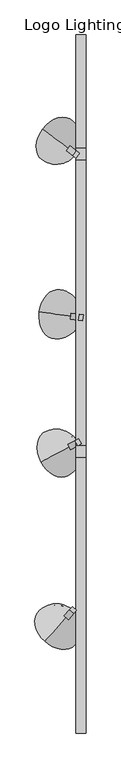
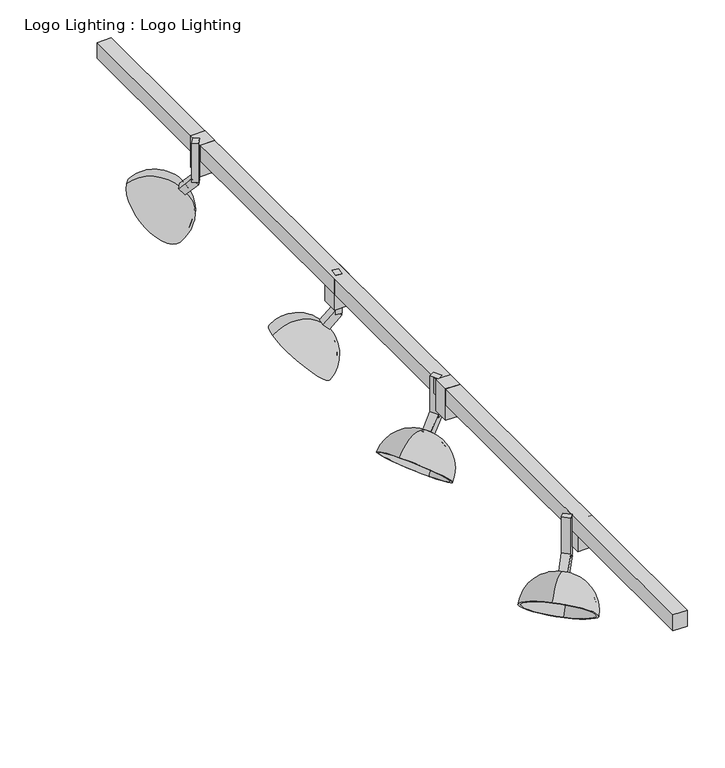
"""IFC4 building model written with IfcOpenShell, lengths in millimetres: light fixture geometry, Logo Lighting : Logo Lighting."""

from ifc_helpers import new_model, si_unit, point, frame, origin, place, context, project, spatial, polyline, circle_curve, ellipse_curve, trimmed, outline, extrude, source, transform, mapped, element, save
from ifc_brep_helpers import plane_surface, revolved_surface, advanced_brep


def logo_lighting_logo_lighting_020bd9e4(model_context):
    return source(origin(), model_context, "Body", "SolidModel", [
        extrude(outline(polyline([(21.1742761, 368.065558), (22.8812651, 380.6503181), (31.7800344, 379.4432947), (30.0730454, 366.8585345), (21.1742761, 368.065558)])), frame((0.0, 0.0, 2374.9), z_axis=(0.0, 0.0, 1.0), x_axis=(1.0, 0.0, 0.0)), (0.0, 0.0, 1.0), 63.5),
        extrude(outline(polyline([(0.0, 12.7), (25.4, 12.7), (25.4, 1e-07), (0.0, 0.0), (0.0, 12.7)])), frame((31.7800344, 379.4432947, 2371.9400614), z_axis=(-0.7006904927370674, 0.09504121941494607, 0.7071067811865517), x_axis=(-0.7006904927370755, 0.09504121941494717, -0.7071067811865435)), (0.0, 0.0, 1.0), 12.7),
        advanced_brep(
        [(10.9948777, 375.8544327, 2356.3160112), (10.9948777, 375.8544327, 2284.1890069), (-64.9270306, 386.1524328, 2360.8061393), (6.5454931, 376.4579445, 2360.8061393), (8.6290006, 376.1753388, 2353.9284695), (4.179616, 376.7788506, 2358.4185976), (8.6290006, 376.1753388, 2286.5765486), (-62.5611535, 385.8315267, 2358.4185976)],
        [
            (0, 1, circle_curve(frame((-24.7413841, 380.7016769, 2320.252509), z_axis=(0.13440858148108553, 0.9909259978546546, 0.0), x_axis=(-0.7006904927370693, 0.09504121941493318, 0.7071067811865517)), 51.0014938)),
            (1, 2, circle_curve(frame((-26.9660764, 381.0034328, 2322.4975731), z_axis=(0.7006904927370761, -0.09504121941494727, 0.707106781186543), x_axis=(-0.7006904927370676, 0.09504121941494285, 0.707106781186552)), 54.1764938)),
            (2, 3, circle_curve(frame((-29.1907687, 381.3051886, 2324.7426371), z_axis=(0.13440858148109247, 0.9909259978546537, 0.0), x_axis=(0.7006904927370673, -0.0950412194149429, -0.7071067811865523)), 51.0014938)),
            (3, 0, circle_curve(frame((8.7701854, 376.1561886, 2358.5610752), z_axis=(-0.7006904927370761, 0.09504121941494727, -0.707106781186543), x_axis=(-0.7006904927370676, 0.09504121941494285, 0.707106781186552)), 3.175)),
            (4, 0),
            (3, 5),
            (5, 4, circle_curve(frame((6.4043083, 376.4770947, 2356.1735335), z_axis=(-0.7006904927370761, 0.09504121941494727, -0.707106781186543), x_axis=(-0.7006904927370676, 0.09504121941494285, 0.707106781186552)), 3.175)),
            (6, 4, circle_curve(frame((-24.7413841, 380.7016769, 2320.252509), z_axis=(-0.13440858148109364, -0.9909259978546536, 0.0), x_axis=(-0.7006904927370677, 0.09504121941494462, 0.7071067811865517)), 47.625)),
            (5, 7, circle_curve(frame((-29.1907687, 381.3051886, 2324.7426371), z_axis=(-0.13440858148109247, -0.9909259978546537, 0.0), x_axis=(0.7006904927370673, -0.0950412194149429, -0.7071067811865523)), 47.625)),
            (7, 6, circle_curve(frame((-26.9660764, 381.0034328, 2322.4975731), z_axis=(-0.7006904927370761, 0.09504121941494727, -0.707106781186543), x_axis=(-0.7006904927370676, 0.09504121941494285, 0.707106781186552)), 50.8)),
            (1, 6),
            (7, 2),
            (2, 1, circle_curve(frame((-26.9660764, 381.0034328, 2322.4975731), z_axis=(0.7006904927370761, -0.09504121941494727, 0.707106781186543), x_axis=(0.7006904927370672, -0.09504121941494595, -0.707106781186552)), 54.1764938)),
            (0, 3, circle_curve(frame((8.7701854, 376.1561886, 2358.5610752), z_axis=(-0.7006904927370761, 0.09504121941494727, -0.707106781186543), x_axis=(0.7006904927370672, -0.09504121941494595, -0.707106781186552)), 3.175)),
            (4, 5, circle_curve(frame((6.4043083, 376.4770947, 2356.1735335), z_axis=(-0.7006904927370761, 0.09504121941494727, -0.707106781186543), x_axis=(0.7006904927370672, -0.09504121941494595, -0.707106781186552)), 3.175)),
            (6, 7, circle_curve(frame((-26.9660764, 381.0034328, 2322.4975731), z_axis=(-0.7006904927370761, 0.09504121941494727, -0.707106781186543), x_axis=(0.7006904927370672, -0.09504121941494595, -0.707106781186552)), 50.8)),
        ],
        [
            revolved_surface(trimmed(ellipse_curve(frame((-29.1907687, 381.3051886, 2324.7426371), z_axis=(0.13440858148109247, 0.9909259978546537, 0.0), x_axis=(0.7006904927370673, -0.0950412194149429, -0.7071067811865523)), 51.0014938, 51.0014938), [point((-64.9270306, 386.1524328, 2360.8061393))], [point((6.5454931, 376.4579445, 2360.8061393))], True, "CARTESIAN"), (-1664.2890037, 603.0888888, 670.1815264), (0.7006904927370761, -0.09504121941494727, 0.707106781186543)),
            revolved_surface(polyline([(6.5454931547435535, 376.45794451341686, 2360.8061392475574), (4.179615993413563, 376.77885060923165, 2358.4185975275377)]), (-1664.2890037, 603.0888888, 670.1815264), (0.7006904927370761, -0.09504121941494727, 0.707106781186543)),
            revolved_surface(trimmed(ellipse_curve(frame((-29.1907687, 381.3051886, 2324.7426371), z_axis=(-0.13440858148109247, -0.9909259978546537, 0.0), x_axis=(0.7006904927370673, -0.0950412194149429, -0.7071067811865523)), 47.625, 47.625), [point((4.179616, 376.7788506, 2358.4185976))], [point((-62.5611535, 385.8315267, 2358.4185976))], True, "CARTESIAN"), (-1664.2890037, 603.0888888, 670.1815264), (0.7006904927370761, -0.09504121941494727, 0.707106781186543)),
            plane_surface(frame((-26.9660764, 381.0034328, 2322.4975731), z_axis=(-0.700690492737076, 0.09504121941494724, -0.7071067811865432), x_axis=(-0.7006904927370676, 0.09504121941494285, 0.707106781186552))),
            revolved_surface(trimmed(ellipse_curve(frame((-24.7413841, 380.7016769, 2320.252509), z_axis=(-0.13440858148109466, -0.9909259978546534, 0.0), x_axis=(-0.7006904927370675, 0.09504121941494607, 0.7071067811865517)), 51.0014938, 51.0014938), [point((10.9948777, 375.8544327, 2284.1890069))], [point((10.9948777, 375.8544327, 2356.3160112))], True, "CARTESIAN"), (-1664.2890037, 603.0888888, 670.1815264), (0.7006904927370761, -0.09504121941494727, 0.707106781186543)),
            revolved_surface(polyline([(10.994877783624133, 375.85443277013206, 2356.316011187023), (8.629000622294143, 376.17533886594686, 2353.928469467003)]), (-1664.2890037, 603.0888888, 670.1815264), (0.7006904927370761, -0.09504121941494727, 0.707106781186543)),
            revolved_surface(trimmed(ellipse_curve(frame((-24.7413841, 380.7016769, 2320.252509), z_axis=(0.13440858148109466, 0.9909259978546534, 0.0), x_axis=(-0.7006904927370675, 0.09504121941494607, 0.7071067811865517)), 47.625, 47.625), [point((8.6290006, 376.1753388, 2353.9284695))], [point((8.6290006, 376.1753388, 2286.5765486))], True, "CARTESIAN"), (-1664.2890037, 603.0888888, 670.1815264), (0.7006904927370761, -0.09504121941494727, 0.707106781186543)),
            plane_surface(frame((-26.9660764, 381.0034328, 2322.4975731), z_axis=(-0.700690492737076, 0.09504121941494725, -0.7071067811865432), x_axis=(0.7006904927370672, -0.09504121941494595, -0.707106781186552))),
        ],
        [
            (0, [[1, 2, 3, 4]]),
            (1, [[5, -4, 6, 7]]),
            (2, [[8, -7, 9, 10]]),
            (3, [[11, -10, 12, -2]]),
            (4, [[-3, 13, -1, 14]]),
            (5, [[-6, -14, -5, 15]]),
            (6, [[-9, -15, -8, 16]]),
            (7, [[-12, -16, -11, -13]]),
        ],
    ),
        extrude(outline(polyline([(1.4066547, -263.8270711), (7.4156189, -257.1534402), (16.8535582, -265.6513989), (10.844594, -272.3250298), (1.4066547, -263.8270711)])), frame((0.0, 0.0, 2374.9), z_axis=(0.0, 0.0, 1.0), x_axis=(1.0, 0.0, 0.0)), (0.0, 0.0, 1.0), 63.5),
        extrude(outline(polyline([(12.7, -1e-07), (12.7, -12.7000001), (0.0, -12.7), (0.0, 0.0), (12.7, -1e-07)])), frame((-10.6112738, -277.1743328, 2362.9598052), z_axis=(0.4731467892558183, 0.5254827454987617, 0.7071067811865434), x_axis=(0.4731467892558127, 0.5254827454987554, -0.7071067811865519)), (0.0, 0.0, 1.0), 25.4),
        advanced_brep(
        [(-1.3244237, -276.3501671, 2356.3160112), (-4.3289058, -279.6869825, 2360.8061393), (-52.591292, -333.2877925, 2360.8061393), (-1.3244237, -276.3501671, 2284.1890069), (-2.9220009, -278.1244563, 2353.9284695), (-5.9264831, -281.4612717, 2358.4185976), (-2.9220009, -278.1244563, 2286.5765486), (-50.9937147, -331.5135033, 2358.4185976)],
        [
            (0, 1, circle_curve(frame((-2.8266648, -278.0185748, 2358.5610752), z_axis=(-0.47314678925581866, -0.5254827454987621, -0.7071067811865429), x_axis=(-0.4731467892558151, -0.5254827454987533, 0.707106781186552)), 3.175)),
            (1, 2, circle_curve(frame((-28.4600989, -306.4873875, 2324.7426371), z_axis=(0.7431448254773926, -0.6691306063588609, 0.0), x_axis=(0.4731467892558148, 0.5254827454987532, -0.7071067811865523)), 51.0014938)),
            (2, 3, circle_curve(frame((-26.9578578, -304.8189798, 2322.4975731), z_axis=(0.47314678925581866, 0.5254827454987621, 0.7071067811865429), x_axis=(-0.4731467892558151, -0.5254827454987533, 0.707106781186552)), 54.1764938)),
            (3, 0, circle_curve(frame((-25.4556168, -303.1505721, 2320.252509), z_axis=(0.7431448254773907, -0.669130606358863, 0.0), x_axis=(-0.4731467892558183, -0.5254827454987508, 0.7071067811865517)), 51.0014938)),
            (4, 5, circle_curve(frame((-4.424242, -279.792864, 2356.1735335), z_axis=(-0.47314678925581866, -0.5254827454987621, -0.7071067811865429), x_axis=(-0.4731467892558151, -0.5254827454987533, 0.707106781186552)), 3.175)),
            (5, 1),
            (0, 4),
            (6, 7, circle_curve(frame((-26.9578578, -304.8189798, 2322.4975731), z_axis=(-0.47314678925581866, -0.5254827454987621, -0.7071067811865429), x_axis=(-0.4731467892558151, -0.5254827454987533, 0.707106781186552)), 50.8)),
            (7, 5, circle_curve(frame((-28.4600989, -306.4873875, 2324.7426371), z_axis=(-0.7431448254773926, 0.6691306063588609, 0.0), x_axis=(0.4731467892558148, 0.5254827454987532, -0.7071067811865523)), 47.625)),
            (4, 6, circle_curve(frame((-25.4556168, -303.1505721, 2320.252509), z_axis=(-0.7431448254773879, 0.669130606358866, 0.0), x_axis=(-0.4731467892558226, -0.525482745498747, 0.7071067811865517)), 47.625)),
            (2, 7),
            (6, 3),
            (1, 0, circle_curve(frame((-2.8266648, -278.0185748, 2358.5610752), z_axis=(-0.47314678925581866, -0.5254827454987621, -0.7071067811865429), x_axis=(0.4731467892558128, 0.5254827454987553, -0.707106781186552)), 3.175)),
            (3, 2, circle_curve(frame((-26.9578578, -304.8189798, 2322.4975731), z_axis=(0.47314678925581866, 0.5254827454987621, 0.7071067811865429), x_axis=(0.4731467892558128, 0.5254827454987553, -0.707106781186552)), 54.1764938)),
            (5, 4, circle_curve(frame((-4.424242, -279.792864, 2356.1735335), z_axis=(-0.47314678925581866, -0.5254827454987621, -0.7071067811865429), x_axis=(0.4731467892558128, 0.5254827454987553, -0.707106781186552)), 3.175)),
            (7, 6, circle_curve(frame((-26.9578578, -304.8189798, 2322.4975731), z_axis=(-0.47314678925581866, -0.5254827454987621, -0.7071067811865429), x_axis=(0.4731467892558128, 0.5254827454987553, -0.707106781186552)), 50.8)),
        ],
        [
            revolved_surface(trimmed(ellipse_curve(frame((-28.4600989, -306.4873875, 2324.7426371), z_axis=(-0.7431448254773926, 0.6691306063588609, 0.0), x_axis=(0.4731467892558148, 0.5254827454987532, -0.7071067811865523)), 51.0014938, 51.0014938), [point((-52.591292, -333.2877925, 2360.8061393))], [point((-4.3289058, -279.6869825, 2360.8061393))], True, "CARTESIAN"), (-1132.573096, -1532.7290999, 670.1815264), (0.47314678925581877, 0.5254827454987622, 0.707106781186543)),
            revolved_surface(polyline([(-4.32890578322008, -279.68698246191775, 2360.806139260473), (-5.926483028103803, -281.46127174349203, 2358.418597531397)]), (-1132.573096, -1532.7290999, 670.1815264), (0.47314678925581877, 0.5254827454987622, 0.707106781186543)),
            revolved_surface(trimmed(ellipse_curve(frame((-28.4600989, -306.4873875, 2324.7426371), z_axis=(0.7431448254773926, -0.6691306063588609, 0.0), x_axis=(0.4731467892558148, 0.5254827454987532, -0.7071067811865523)), 47.625, 47.625), [point((-5.9264831, -281.4612717, 2358.4185976))], [point((-50.9937147, -331.5135033, 2358.4185976))], True, "CARTESIAN"), (-1132.573096, -1532.7290999, 670.1815264), (0.47314678925581877, 0.5254827454987622, 0.707106781186543)),
            plane_surface(frame((-26.9578578, -304.8189798, 2322.4975731), z_axis=(-0.4731467892558184, -0.5254827454987618, -0.7071067811865434), x_axis=(-0.473146789255815, -0.5254827454987532, 0.7071067811865519))),
            revolved_surface(trimmed(ellipse_curve(frame((-25.4556168, -303.1505721, 2320.252509), z_axis=(0.7431448254773941, -0.6691306063588593, 0.0), x_axis=(-0.473146789255813, -0.5254827454987556, 0.7071067811865517)), 51.0014938, 51.0014938), [point((-1.3244237, -276.3501671, 2284.1890069))], [point((-1.3244237, -276.3501671, 2356.3160112))], True, "CARTESIAN"), (-1132.573096, -1532.7290999, 670.1815264), (0.47314678925581877, 0.5254827454987622, 0.707106781186543)),
            revolved_surface(polyline([(-1.3244236714456292, -276.35016702800044, 2356.3160111999387), (-2.9220009163293525, -278.1244563095747, 2353.9284694708626)]), (-1132.573096, -1532.7290999, 670.1815264), (0.47314678925581877, 0.5254827454987622, 0.707106781186543)),
            revolved_surface(trimmed(ellipse_curve(frame((-25.4556168, -303.1505721, 2320.252509), z_axis=(-0.7431448254773941, 0.6691306063588593, 0.0), x_axis=(-0.473146789255813, -0.5254827454987556, 0.7071067811865517)), 47.625, 47.625), [point((-2.9220009, -278.1244563, 2353.9284695))], [point((-2.9220009, -278.1244563, 2286.5765486))], True, "CARTESIAN"), (-1132.573096, -1532.7290999, 670.1815264), (0.47314678925581877, 0.5254827454987622, 0.707106781186543)),
            plane_surface(frame((-26.9578578, -304.8189798, 2322.4975731), z_axis=(-0.4731467892558184, -0.5254827454987617, -0.7071067811865432), x_axis=(0.4731467892558127, 0.5254827454987552, -0.7071067811865519))),
        ],
        [
            (0, [[1, 2, 3, 4]]),
            (1, [[5, 6, -1, 7]]),
            (2, [[8, 9, -5, 10]]),
            (3, [[-3, 11, -8, 12]]),
            (4, [[13, -4, 14, -2]]),
            (5, [[15, -7, -13, -6]]),
            (6, [[16, -10, -15, -9]]),
            (7, [[-14, -12, -16, -11]]),
        ],
    ),
        extrude(outline(polyline([(13.5830052, 105.1858771), (21.4933982, 109.4368398), (27.5051673, 98.2498548), (19.5947744, 93.9988921), (13.5830052, 105.1858771)])), frame((0.0, 0.0, 2374.9), z_axis=(0.0, 0.0, 1.0), x_axis=(1.0, 0.0, 0.0)), (0.0, 0.0, 1.0), 63.5),
        extrude(outline(polyline([(12.7, 0.0), (12.6999999, -12.7), (0.0, -12.7), (0.0, 0.0), (12.7, 0.0)])), frame((-2.2377806, 96.6839517, 2362.9598052), z_axis=(0.6228655838762266, 0.33472147290326887, 0.7071067811865431), x_axis=(0.6228655838762187, 0.33472147290326465, -0.707106781186552)), (0.0, 0.0, 1.0), 25.4),
        advanced_brep(
        [(6.781408, 94.3219461, 2356.3160112), (2.8262115, 92.1964647, 2360.8061393), (-60.707939, 58.0538745, 2360.8061393), (6.781408, 94.3219461, 2284.1890069), (4.6783062, 93.1917611, 2353.9284695), (0.7231097, 91.0662797, 2358.4185976), (4.6783062, 93.1917611, 2286.5765486), (-58.6048372, 59.1840595, 2358.4185976)],
        [
            (0, 1, circle_curve(frame((4.8038098, 93.2592054, 2358.5610752), z_axis=(-0.6228655838762266, -0.33472147290326887, -0.707106781186543), x_axis=(-0.6228655838762202, -0.33472147290326176, 0.707106781186552)), 3.175)),
            (1, 2, circle_curve(frame((-28.9408637, 75.1251696, 2324.7426371), z_axis=(0.4733676465972963, -0.8808649562531917, 0.0), x_axis=(0.6228655838762199, 0.33472147290326165, -0.7071067811865523)), 51.0014938)),
            (2, 3, circle_curve(frame((-26.9632655, 76.1879103, 2322.4975731), z_axis=(0.6228655838762266, 0.33472147290326887, 0.707106781186543), x_axis=(-0.6228655838762202, -0.33472147290326176, 0.707106781186552)), 54.1764938)),
            (3, 0, circle_curve(frame((-24.9856673, 77.250651, 2320.252509), z_axis=(0.47336764659729375, -0.880864956253193, 0.0), x_axis=(-0.6228655838762223, -0.3347214729032584, 0.7071067811865517)), 51.0014938)),
            (4, 5, circle_curve(frame((2.7007079, 92.1290204, 2356.1735335), z_axis=(-0.6228655838762266, -0.33472147290326887, -0.707106781186543), x_axis=(-0.6228655838762202, -0.33472147290326176, 0.707106781186552)), 3.175)),
            (5, 1),
            (0, 4),
            (6, 7, circle_curve(frame((-26.9632655, 76.1879103, 2322.4975731), z_axis=(-0.6228655838762266, -0.33472147290326887, -0.707106781186543), x_axis=(-0.6228655838762202, -0.33472147290326176, 0.707106781186552)), 50.8)),
            (7, 5, circle_curve(frame((-28.9408637, 75.1251696, 2324.7426371), z_axis=(-0.4733676465972963, 0.8808649562531917, 0.0), x_axis=(0.6228655838762199, 0.33472147290326165, -0.7071067811865523)), 47.625)),
            (4, 6, circle_curve(frame((-24.9856673, 77.250651, 2320.252509), z_axis=(-0.47336764659729014, 0.880864956253195, 0.0), x_axis=(-0.622865583876225, -0.33472147290325327, 0.7071067811865517)), 47.625)),
            (2, 7),
            (6, 3),
            (1, 0, circle_curve(frame((4.8038098, 93.2592054, 2358.5610752), z_axis=(-0.6228655838762266, -0.33472147290326887, -0.707106781186543), x_axis=(0.6228655838762186, 0.3347214729032645, -0.707106781186552)), 3.175)),
            (3, 2, circle_curve(frame((-26.9632655, 76.1879103, 2322.4975731), z_axis=(0.6228655838762266, 0.33472147290326887, 0.707106781186543), x_axis=(0.6228655838762186, 0.3347214729032645, -0.707106781186552)), 54.1764938)),
            (5, 4, circle_curve(frame((2.7007079, 92.1290204, 2356.1735335), z_axis=(-0.6228655838762266, -0.33472147290326887, -0.707106781186543), x_axis=(0.6228655838762186, 0.3347214729032645, -0.707106781186552)), 3.175)),
            (7, 6, circle_curve(frame((-26.9632655, 76.1879103, 2322.4975731), z_axis=(-0.6228655838762266, -0.33472147290326887, -0.707106781186543), x_axis=(0.6228655838762186, 0.3347214729032645, -0.707106781186552)), 50.8)),
        ],
        [
            revolved_surface(trimmed(ellipse_curve(frame((-28.9408637, 75.1251696, 2324.7426371), z_axis=(-0.4733676465972963, 0.8808649562531917, 0.0), x_axis=(0.6228655838762199, 0.33472147290326165, -0.7071067811865523)), 51.0014938, 51.0014938), [point((-60.707939, 58.0538745, 2360.8061393))], [point((2.8262115, 92.1964647, 2360.8061393))], True, "CARTESIAN"), (-1482.4305676, -705.9650482, 670.1815264), (0.6228655838762266, 0.33472147290326887, 0.707106781186543)),
            revolved_surface(polyline([(2.8262115781592456, 92.19646470977375, 2360.8061392466757), (0.723109722145864, 91.06627969211786, 2358.418597500255)]), (-1482.4305676, -705.9650482, 670.1815264), (0.6228655838762266, 0.33472147290326887, 0.707106781186543)),
            revolved_surface(trimmed(ellipse_curve(frame((-28.9408637, 75.1251696, 2324.7426371), z_axis=(0.4733676465972963, -0.8808649562531917, 0.0), x_axis=(0.6228655838762199, 0.33472147290326165, -0.7071067811865523)), 47.625, 47.625), [point((0.7231097, 91.0662797, 2358.4185976))], [point((-58.6048372, 59.1840595, 2358.4185976))], True, "CARTESIAN"), (-1482.4305676, -705.9650482, 670.1815264), (0.6228655838762266, 0.33472147290326887, 0.707106781186543)),
            plane_surface(frame((-26.9632655, 76.1879103, 2322.4975731), z_axis=(-0.6228655838762266, -0.33472147290326887, -0.707106781186543), x_axis=(-0.6228655838762202, -0.33472147290326176, 0.707106781186552))),
            revolved_surface(trimmed(ellipse_curve(frame((-24.9856673, 77.250651, 2320.252509), z_axis=(0.47336764659729824, -0.8808649562531906, 0.0), x_axis=(-0.6228655838762188, -0.3347214729032647, 0.7071067811865517)), 51.0014938, 51.0014938), [point((6.781408, 94.3219461, 2284.1890069))], [point((6.781408, 94.3219461, 2356.3160112))], True, "CARTESIAN"), (-1482.4305676, -705.9650482, 670.1815264), (0.6228655838762266, 0.33472147290326887, 0.707106781186543)),
            revolved_surface(polyline([(6.781408035773211, 94.32194606270957, 2356.316011186141), (4.678306179759829, 93.19176104505368, 2353.9284694397206)]), (-1482.4305676, -705.9650482, 670.1815264), (0.6228655838762266, 0.33472147290326887, 0.707106781186543)),
            revolved_surface(trimmed(ellipse_curve(frame((-24.9856673, 77.250651, 2320.252509), z_axis=(-0.47336764659729824, 0.8808649562531906, 0.0), x_axis=(-0.6228655838762188, -0.3347214729032647, 0.7071067811865517)), 47.625, 47.625), [point((4.6783062, 93.1917611, 2353.9284695))], [point((4.6783062, 93.1917611, 2286.5765486))], True, "CARTESIAN"), (-1482.4305676, -705.9650482, 670.1815264), (0.6228655838762266, 0.33472147290326887, 0.707106781186543)),
            plane_surface(frame((-26.9632655, 76.1879103, 2322.4975731), z_axis=(-0.6228655838762267, -0.3347214729032689, -0.707106781186543), x_axis=(0.6228655838762187, 0.33472147290326454, -0.7071067811865521))),
        ],
        [
            (0, [[1, 2, 3, 4]]),
            (1, [[5, 6, -1, 7]]),
            (2, [[8, 9, -5, 10]]),
            (3, [[-3, 11, -8, 12]]),
            (4, [[13, -4, 14, -2]]),
            (5, [[15, -7, -13, -6]]),
            (6, [[16, -10, -15, -9]]),
            (7, [[-14, -12, -16, -11]]),
        ],
    ),
        extrude(outline(polyline([(16.3468869, 737.3314735), (23.5188383, 731.9270204), (15.8757875, 721.7843495), (8.7038361, 727.1888025), (16.3468869, 737.3314735)])), frame((0.0, 0.0, 2374.9), z_axis=(0.0, 0.0, 1.0), x_axis=(1.0, 0.0, 0.0)), (0.0, 0.0, 1.0), 63.5),
        extrude(outline(polyline([(0.0, -12.6999999), (0.0, 0.0), (25.4, 0.0), (25.4, -12.7), (0.0, -12.6999999)])), frame((15.8757875, 721.7843495, 2371.9400614), z_axis=(-0.5647205848508035, 0.425547483890765, 0.7071067811865515), x_axis=(-0.5647205848508097, 0.4255474838907698, -0.7071067811865436)), (0.0, 0.0, 1.0), 12.7),
        advanced_brep(
        [(3.6334159, 738.9606996, 2356.3160112), (0.0474402, 741.6629261, 2360.8061393), (-57.5557467, 785.0700409, 2360.8061393), (3.6334159, 738.9606996, 2284.1890069), (1.7266403, 740.3975581, 2353.9284695), (-1.8593354, 743.0997846, 2358.4185976), (1.7266403, 740.3975581, 2286.5765486), (-55.6489711, 783.6331824, 2358.4185976)],
        [
            (0, 1, circle_curve(frame((1.8404281, 740.3118129, 2358.5610752), z_axis=(-0.5647205848508102, 0.42554748389077024, -0.7071067811865431), x_axis=(-0.564720584850801, 0.42554748389076724, 0.707106781186552)), 3.175)),
            (1, 2, circle_curve(frame((-28.7541532, 763.3664835, 2324.7426371), z_axis=(-0.6018150231520712, -0.7986355100472755, 0.0), x_axis=(0.5647205848508008, -0.425547483890767, -0.7071067811865523)), 51.0014938)),
            (2, 3, circle_curve(frame((-26.9611654, 762.0153702, 2322.4975731), z_axis=(0.5647205848508102, -0.42554748389077024, 0.7071067811865431), x_axis=(-0.564720584850801, 0.42554748389076724, 0.707106781186552)), 54.1764938)),
            (3, 0, circle_curve(frame((-25.1681775, 760.664257, 2320.252509), z_axis=(-0.6018150231520736, -0.7986355100472738, 0.0), x_axis=(-0.5647205848507988, 0.42554748389077063, 0.7071067811865517)), 51.0014938)),
            (4, 5, circle_curve(frame((-0.0663475, 741.7486713, 2356.1735335), z_axis=(-0.5647205848508102, 0.42554748389077024, -0.7071067811865431), x_axis=(-0.564720584850801, 0.42554748389076724, 0.707106781186552)), 3.175)),
            (5, 1),
            (0, 4),
            (6, 7, circle_curve(frame((-26.9611654, 762.0153702, 2322.4975731), z_axis=(-0.5647205848508102, 0.42554748389077024, -0.7071067811865431), x_axis=(-0.564720584850801, 0.42554748389076724, 0.707106781186552)), 50.8)),
            (7, 5, circle_curve(frame((-28.7541532, 763.3664835, 2324.7426371), z_axis=(0.6018150231520712, 0.7986355100472755, 0.0), x_axis=(0.5647205848508008, -0.425547483890767, -0.7071067811865523)), 47.625)),
            (4, 6, circle_curve(frame((-25.1681775, 760.664257, 2320.252509), z_axis=(0.6018150231520768, 0.7986355100472713, 0.0), x_axis=(-0.5647205848507953, 0.42554748389077524, 0.7071067811865517)), 47.625)),
            (2, 7),
            (6, 3),
            (1, 0, circle_curve(frame((1.8404281, 740.3118129, 2358.5610752), z_axis=(-0.5647205848508102, 0.42554748389077024, -0.7071067811865431), x_axis=(0.5647205848508029, -0.4255474838907648, -0.707106781186552)), 3.175)),
            (3, 2, circle_curve(frame((-26.9611654, 762.0153702, 2322.4975731), z_axis=(0.5647205848508102, -0.42554748389077024, 0.7071067811865431), x_axis=(0.5647205848508029, -0.4255474838907648, -0.707106781186552)), 54.1764938)),
            (5, 4, circle_curve(frame((-0.0663475, 741.7486713, 2356.1735335), z_axis=(-0.5647205848508102, 0.42554748389077024, -0.7071067811865431), x_axis=(0.5647205848508029, -0.4255474838907648, -0.707106781186552)), 3.175)),
            (7, 6, circle_curve(frame((-26.9611654, 762.0153702, 2322.4975731), z_axis=(-0.5647205848508102, 0.42554748389077024, -0.7071067811865431), x_axis=(0.5647205848508029, -0.4255474838907648, -0.707106781186552)), 50.8)),
        ],
        [
            revolved_surface(trimmed(ellipse_curve(frame((-28.7541532, 763.3664835, 2324.7426371), z_axis=(0.6018150231520712, 0.7986355100472755, 0.0), x_axis=(0.5647205848508008, -0.425547483890767, -0.7071067811865523)), 51.0014938, 51.0014938), [point((-57.5557467, 785.0700409, 2360.8061393))], [point((0.0474402, 741.6629261, 2360.8061393))], True, "CARTESIAN"), (-1346.559434, 1756.4039901, 670.1815264), (0.5647205848508101, -0.42554748389077013, 0.707106781186543)),
            revolved_surface(polyline([(0.047440266123430774, 741.6629261004426, 2360.8061392474574), (-1.8593353569269766, 743.0997845938296, 2358.4185974977327)]), (-1346.559434, 1756.4039901, 670.1815264), (0.5647205848508101, -0.42554748389077013, 0.707106781186543)),
            revolved_surface(trimmed(ellipse_curve(frame((-28.7541532, 763.3664835, 2324.7426371), z_axis=(-0.6018150231520712, -0.7986355100472755, 0.0), x_axis=(0.5647205848508008, -0.425547483890767, -0.7071067811865523)), 47.625, 47.625), [point((-1.8593354, 743.0997846, 2358.4185976))], [point((-55.6489711, 783.6331824, 2358.4185976))], True, "CARTESIAN"), (-1346.559434, 1756.4039901, 670.1815264), (0.5647205848508101, -0.42554748389077013, 0.707106781186543)),
            plane_surface(frame((-26.9611654, 762.0153702, 2322.4975731), z_axis=(-0.5647205848508103, 0.4255474838907702, -0.707106781186543), x_axis=(-0.5647205848508011, 0.4255474838907673, 0.7071067811865521))),
            revolved_surface(trimmed(ellipse_curve(frame((-25.1681775, 760.664257, 2320.252509), z_axis=(-0.6018150231520696, -0.7986355100472768, 0.0), x_axis=(-0.5647205848508031, 0.4255474838907649, 0.7071067811865517)), 51.0014938, 51.0014938), [point((3.6334159, 738.9606996, 2284.1890069))], [point((3.6334159, 738.9606996, 2356.3160112))], True, "CARTESIAN"), (-1346.559434, 1756.4039901, 670.1815264), (0.5647205848508101, -0.42554748389077013, 0.707106781186543)),
            revolved_surface(polyline([(3.6334159799262125, 738.9606995777361, 2356.316011186923), (1.726640356875805, 740.3975580711231, 2353.928469437198)]), (-1346.559434, 1756.4039901, 670.1815264), (0.5647205848508101, -0.42554748389077013, 0.707106781186543)),
            revolved_surface(trimmed(ellipse_curve(frame((-25.1681775, 760.664257, 2320.252509), z_axis=(0.6018150231520696, 0.7986355100472768, 0.0), x_axis=(-0.5647205848508031, 0.4255474838907649, 0.7071067811865517)), 47.625, 47.625), [point((1.7266403, 740.3975581, 2353.9284695))], [point((1.7266403, 740.3975581, 2286.5765486))], True, "CARTESIAN"), (-1346.559434, 1756.4039901, 670.1815264), (0.5647205848508101, -0.42554748389077013, 0.707106781186543)),
            plane_surface(frame((-26.9611654, 762.0153702, 2322.4975731), z_axis=(-0.5647205848508101, 0.42554748389077013, -0.707106781186543), x_axis=(0.5647205848508029, -0.4255474838907648, -0.707106781186552))),
        ],
        [
            (0, [[1, 2, 3, 4]]),
            (1, [[5, 6, -1, 7]]),
            (2, [[8, 9, -5, 10]]),
            (3, [[-3, 11, -8, 12]]),
            (4, [[13, -4, 14, -2]]),
            (5, [[15, -7, -13, -6]]),
            (6, [[16, -10, -15, -9]]),
            (7, [[-14, -12, -16, -11]]),
        ],
    ),
        extrude(outline(polyline([(37.8064362, 742.95), (37.8064362, 717.55), (16.1261801, 717.55), (16.1261801, 742.95), (37.8064362, 742.95)])), frame((0.0, 0.0, 2387.6), z_axis=(0.0, 0.0, 1.0), x_axis=(1.0, 0.0, 0.0)), (0.0, 0.0, 1.0), 50.8),
        extrude(outline(polyline([(37.8064362, 93.6625), (37.8064362, 68.2625), (16.1261801, 68.2625), (16.1261801, 93.6625), (37.8064362, 93.6625)])), frame((0.0, 0.0, 2387.6), z_axis=(0.0, 0.0, 1.0), x_axis=(1.0, 0.0, 0.0)), (0.0, 0.0, 1.0), 50.8),
        extrude(outline(polyline([(37.8064362, 990.6), (37.8064362, -533.4), (16.1261801, -533.4), (16.1261801, 990.6), (37.8064362, 990.6)])), frame((0.0, 0.0, 2413.0), z_axis=(0.0, 0.0, 1.0), x_axis=(1.0, 0.0, 0.0)), (0.0, 0.0, 1.0), 25.4),
        extrude(outline(polyline([(37.8064362, -255.5875), (37.8064362, -280.9875), (16.1261801, -280.9875), (16.1261801, -255.5875), (37.8064362, -255.5875)])), frame((0.0, 0.0, 2387.6), z_axis=(0.0, 0.0, 1.0), x_axis=(1.0, 0.0, 0.0)), (0.0, 0.0, 1.0), 50.8),
        extrude(outline(polyline([(37.8064362, 387.35), (37.8064362, 361.95), (16.1261801, 361.95), (16.1261801, 387.35), (37.8064362, 387.35)])), frame((0.0, 0.0, 2387.6), z_axis=(0.0, 0.0, 1.0), x_axis=(1.0, 0.0, 0.0)), (0.0, 0.0, 1.0), 50.8),
    ])


if __name__ == "__main__":
    model = new_model("IFC4")
    model_context = context("Model", 3, world=origin())
    ifc_project = project(units=[si_unit("LENGTHUNIT", "METRE", prefix="MILLI")], contexts=[model_context])
    site = spatial("IfcSite", under=ifc_project)
    building = spatial("IfcBuilding", under=site)
    placement = place(None, origin())
    logo_lighting_logo_lighting_shape = logo_lighting_logo_lighting_020bd9e4(model_context)
    element("IfcLightFixture", 1, ObjectType="Logo Lighting : Logo Lighting", at=placement, inside=building, context=model_context, shape_type="MappedRepresentation", body=[
        mapped(logo_lighting_logo_lighting_shape, transform((0.0, 0.0, 0.0), x_axis=(1.0, 0.0, 0.0), y_axis=(0.0, 1.0, 0.0), z_axis=(0.0, 0.0, 1.0))),
    ])
    save(model, "model.ifc")
